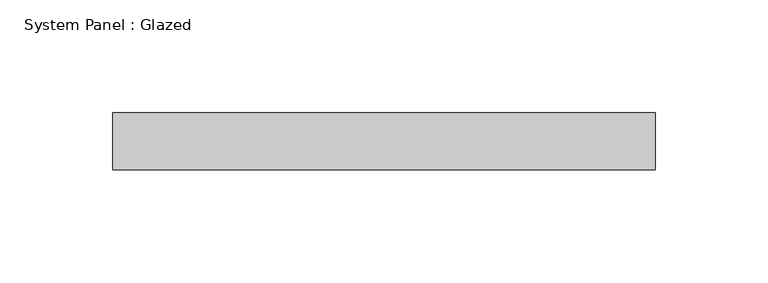
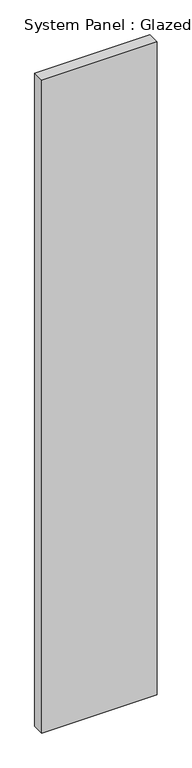
"""IFC4 building model written with IfcOpenShell, lengths in millimetres: plate geometry, System Panel : Glazed."""

import ifcopenshell
import ifcopenshell.guid

model = None  # the IFC model being written
_history = None  # IfcOwnerHistory: only IFC2X3 demands one
_inside = {}  # id of a spatial element -> (the spatial element, [elements in it])
_under = {}  # id of a project, library or spatial element -> (it, [spatial elements below it])
_declared = {}  # id of a project -> (the project, [libraries it declares])
_typed = {}  # id of a type object -> (the type object, [elements of that type])
_made_of = {}  # id of a material, layer set ... -> (it, [elements and type objects made of it])


def new_model(schema):
    """Start an empty IFC model of exactly this schema.

    Asked for "IFC4X3", IfcOpenShell would pick the latest addendum, in which some entities
    have other attributes; the version numbers below select the first issue.
    IFC2X3 requires an IfcOwnerHistory on every rooted entity: one is made here for all.
    """
    global model, _history
    if schema == "IFC4X3":
        model = ifcopenshell.file(schema_version=(4, 3, 0, 0))
    else:
        model = ifcopenshell.file(schema=schema)
    _inside.clear()
    _under.clear()
    _declared.clear()
    _typed.clear()
    _made_of.clear()
    _history = None
    if model.schema == "IFC2X3":
        org = make("IfcOrganization", Name="unknown")
        user = make(
            "IfcPersonAndOrganization",
            ThePerson=make("IfcPerson", FamilyName="unknown"),
            TheOrganization=org,
        )
        app = make(
            "IfcApplication",
            ApplicationDeveloper=org,
            Version="unknown",
            ApplicationFullName="unknown",
            ApplicationIdentifier="unknown",
        )
        _history = make(
            "IfcOwnerHistory",
            OwningUser=user,
            OwningApplication=app,
            ChangeAction="ADDED",
            CreationDate=0,
        )
    return model


def make(cls, **values):
    """One entity of the class cls with the attributes given. An attribute that is None is left unset."""
    return model.create_entity(
        cls, **{name: value for name, value in values.items() if value is not None}
    )


def rooted(cls, **values):
    """An entity with a GlobalId (a new one), such as an element, a storey or a relation."""
    return make(cls, GlobalId=ifcopenshell.guid.new(), OwnerHistory=_history, **values)


def si_unit(unit_type, name, prefix=None):
    """IfcSIUnit, for example si_unit("LENGTHUNIT", "METRE", prefix="MILLI")."""
    return make("IfcSIUnit", UnitType=unit_type, Prefix=prefix, Name=name)


def assignment(units):
    """IfcUnitAssignment: the units of a project."""
    return None if units is None else make("IfcUnitAssignment", Units=units)


def point(xyz):
    """IfcCartesianPoint."""
    return None if xyz is None else make("IfcCartesianPoint", Coordinates=xyz)


def direction(xyz):
    """IfcDirection."""
    return None if xyz is None else make("IfcDirection", DirectionRatios=xyz)


def frame(location, z_axis=None, x_axis=None):
    """IfcAxis2Placement3D, a coordinate frame: its origin and axes. An axis left out is left unset."""
    return make(
        "IfcAxis2Placement3D",
        Location=point(location),
        Axis=direction(z_axis),
        RefDirection=direction(x_axis),
    )


def origin():
    """The frame at (0, 0, 0) with its axes left unset."""
    return frame((0.0, 0.0, 0.0))


def origin_with_axes():
    """The frame at (0, 0, 0) with the z axis (0, 0, 1) and the x axis (1, 0, 0) written out."""
    return frame((0.0, 0.0, 0.0), z_axis=(0.0, 0.0, 1.0), x_axis=(1.0, 0.0, 0.0))


def place(relative_to, where):
    """IfcLocalPlacement: puts the frame where relative to a parent placement (None: the world)."""
    return make(
        "IfcLocalPlacement", PlacementRelTo=relative_to, RelativePlacement=where
    )


def context(
    kind, dimensions, precision=None, world=None, true_north=None, identifier=None
):
    """IfcGeometricRepresentationContext, for example the 3D "Model" context."""
    return make(
        "IfcGeometricRepresentationContext",
        ContextIdentifier=identifier,
        ContextType=kind,
        CoordinateSpaceDimension=dimensions,
        Precision=precision,
        WorldCoordinateSystem=world,
        TrueNorth=true_north,
    )


def project(units=None, contexts=None):
    """IfcProject with its units and contexts."""
    return rooted(
        "IfcProject",
        Name="project",
        RepresentationContexts=contexts,
        UnitsInContext=assignment(units),
    )


def spatial(cls, under=None, at=None, **own):
    """A site, building, storey or space (cls), placed at a placement, below another one or the project."""
    s = rooted(cls, ObjectPlacement=at, **own)
    if under is not None:
        _under.setdefault(under.id(), (under, []))[1].append(s)
    return s


def polyline(points):
    """IfcPolyline through the points."""
    return make("IfcPolyline", Points=[point(p) for p in points])


def outline(outer, holes=None, kind="AREA"):
    """IfcArbitraryClosedProfileDef: a profile drawn as a closed curve; with holes, ...WithVoids."""
    if holes is None:
        return make("IfcArbitraryClosedProfileDef", ProfileType=kind, OuterCurve=outer)
    return make(
        "IfcArbitraryProfileDefWithVoids",
        ProfileType=kind,
        OuterCurve=outer,
        InnerCurves=holes,
    )


def extrude(swept, where, along, depth):
    """IfcExtrudedAreaSolid: the profile swept, set in the frame where, extruded along a direction by depth."""
    return make(
        "IfcExtrudedAreaSolid",
        SweptArea=swept,
        Position=where,
        ExtrudedDirection=direction(along),
        Depth=depth,
    )


def shape(context_of_items, identifier, shape_type, items):
    """IfcShapeRepresentation: the items that make up one representation, for example the "Body"."""
    return make(
        "IfcShapeRepresentation",
        ContextOfItems=context_of_items,
        RepresentationIdentifier=identifier,
        RepresentationType=shape_type,
        Items=items,
    )


def source(mapping_origin, context_of_items, identifier, shape_type, items):
    """IfcRepresentationMap: a shape defined once, which mapped items show again and again."""
    return make(
        "IfcRepresentationMap",
        MappingOrigin=mapping_origin,
        MappedRepresentation=shape(context_of_items, identifier, shape_type, items),
    )


def transform(
    local_origin,
    x_axis=None,
    y_axis=None,
    z_axis=None,
    scale=None,
    scale2=None,
    scale3=None,
    uniform=True,
):
    """IfcCartesianTransformationOperator3D, or its non-uniform kind. x_axis, y_axis, z_axis: its Axis1, 2, 3."""
    if uniform:
        return make(
            "IfcCartesianTransformationOperator3D",
            Axis1=direction(x_axis),
            Axis2=direction(y_axis),
            LocalOrigin=point(local_origin),
            Scale=scale,
            Axis3=direction(z_axis),
        )
    return make(
        "IfcCartesianTransformationOperator3DnonUniform",
        Axis1=direction(x_axis),
        Axis2=direction(y_axis),
        LocalOrigin=point(local_origin),
        Scale=scale,
        Axis3=direction(z_axis),
        Scale2=scale2,
        Scale3=scale3,
    )


def mapped(mapping_source, mapping_target):
    """IfcMappedItem: shows the shape of a source again, moved by a transform."""
    return make(
        "IfcMappedItem", MappingSource=mapping_source, MappingTarget=mapping_target
    )


def made_of(thing, what):
    """Note that an element or type object is made of a material, layer set ...; save() writes the relation."""
    if what is not None:
        _made_of.setdefault(what.id(), (what, []))[1].append(thing)
    return thing


def element(
    cls,
    number,
    at=None,
    inside=None,
    cuts=None,
    type_object=None,
    material=None,
    context=None,
    identifier="Body",
    shape_type=None,
    held_by="IfcProductDefinitionShape",
    body=None,
    shapes=None,
    **own,
):
    """One element of the class cls, such as IfcWall. Its Tag is "e" and its number.

    at: its placement. inside: the storey or other place that contains it. cuts: it is an
    opening in that element (IfcRelVoidsElement). A single representation is given by context,
    identifier, shape_type and body (its items); several are given by shapes. held_by: the class
    of the entity that holds the representations. save() writes the other relations.
    """
    e = rooted(cls, Tag="e%d" % number, ObjectPlacement=at, **own)
    if body is not None:
        shapes = [shape(context, identifier, shape_type, body)]
    if shapes is not None:
        e.Representation = make(held_by, Representations=shapes)
    if inside is not None:
        _inside.setdefault(inside.id(), (inside, []))[1].append(e)
    if cuts is not None:
        rooted(
            "IfcRelVoidsElement", RelatingBuildingElement=cuts, RelatedOpeningElement=e
        )
    if type_object is not None:
        _typed.setdefault(type_object.id(), (type_object, []))[1].append(e)
    return made_of(e, material)


def aggregate(whole, parts):
    """IfcRelAggregates: a whole, such as a stair, and the parts it consists of."""
    return rooted("IfcRelAggregates", RelatingObject=whole, RelatedObjects=parts)


def save(model, path):
    """Write the relations noted so far, then the file.

    IfcRelAggregates (storeys below a building ...), IfcRelContainedInSpatialStructure (elements
    in a storey), IfcRelDefinesByType, IfcRelAssociatesMaterial and IfcRelDeclares: one each for
    every whole, place, type object, material and project.
    """
    for whole, parts in _under.values():
        aggregate(whole, parts)
    for where, things in _inside.values():
        rooted(
            "IfcRelContainedInSpatialStructure",
            RelatedElements=things,
            RelatingStructure=where,
        )
    for kind, things in _typed.values():
        rooted("IfcRelDefinesByType", RelatedObjects=things, RelatingType=kind)
    for what, things in _made_of.values():
        rooted("IfcRelAssociatesMaterial", RelatedObjects=things, RelatingMaterial=what)
    for by, libraries in _declared.values():
        rooted("IfcRelDeclares", RelatingContext=by, RelatedDefinitions=libraries)
    model.write(path)


def system_panel_glazed_24a2e74b(model_context):
    return source(origin(), model_context, "Body", "SweptSolid", [
        extrude(outline(polyline([(120.65, 0.0), (-120.65, 0.0), (-120.65, 25.4), (120.65, 25.4), (120.65, 0.0)])), origin_with_axes(), (0.0, 0.0, 1.0), 1441.45),
    ])


if __name__ == "__main__":
    model = new_model("IFC4")
    model_context = context("Model", 3, world=origin())
    ifc_project = project(units=[si_unit("LENGTHUNIT", "METRE", prefix="MILLI")], contexts=[model_context])
    site = spatial("IfcSite", under=ifc_project)
    building = spatial("IfcBuilding", under=site)
    placement = place(None, origin())
    system_panel_glazed_shape = system_panel_glazed_24a2e74b(model_context)
    element("IfcPlate", 1, ObjectType="System Panel : Glazed", at=placement, inside=building, context=model_context, shape_type="MappedRepresentation", body=[
        mapped(system_panel_glazed_shape, transform((0.0, 0.0, 0.0), x_axis=(1.0, 0.0, 0.0), y_axis=(0.0, 1.0, 0.0), z_axis=(0.0, 0.0, 1.0))),
    ])
    save(model, "model.ifc")
